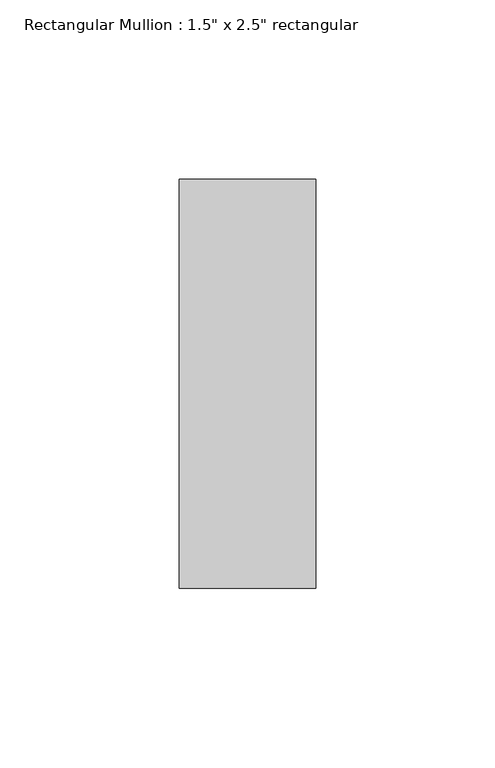
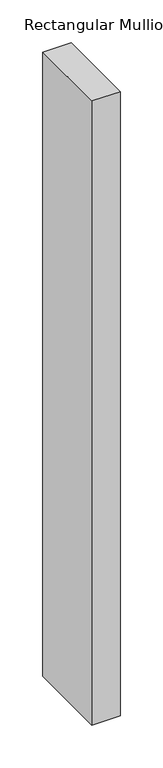
"""IFC4 building model written with IfcOpenShell, lengths in millimetres: member geometry."""

from ifc_helpers import new_model, si_unit, frame, origin, place, context, project, spatial, polyline, outline, extrude, source, transform, mapped, element, save


def member_5df37ecc(model_context):
    return source(origin(), model_context, "Body", "SweptSolid", [
        extrude(outline(polyline([(19.05, 57.15), (19.05, -57.15), (-19.05, -57.15), (-19.05, 57.15), (19.05, 57.15)])), frame((0.0, 0.0, -889.0), z_axis=(0.0, 0.0, 1.0), x_axis=(1.0, 0.0, 0.0)), (0.0, 0.0, 1.0), 889.0),
    ])


if __name__ == "__main__":
    model = new_model("IFC4")
    model_context = context("Model", 3, world=origin())
    ifc_project = project(units=[si_unit("LENGTHUNIT", "METRE", prefix="MILLI")], contexts=[model_context])
    site = spatial("IfcSite", under=ifc_project)
    building = spatial("IfcBuilding", under=site)
    placement = place(None, origin())
    member_shape = member_5df37ecc(model_context)
    element("IfcMember", 1, ObjectType="Rectangular Mullion : 1.5\" x 2.5\" rectangular", at=placement, inside=building, context=model_context, shape_type="MappedRepresentation", body=[
        mapped(member_shape, transform((0.0, 0.0, 0.0), x_axis=(1.0, 0.0, 0.0), y_axis=(0.0, 1.0, 0.0), z_axis=(0.0, 0.0, 1.0))),
    ])
    save(model, "model.ifc")
